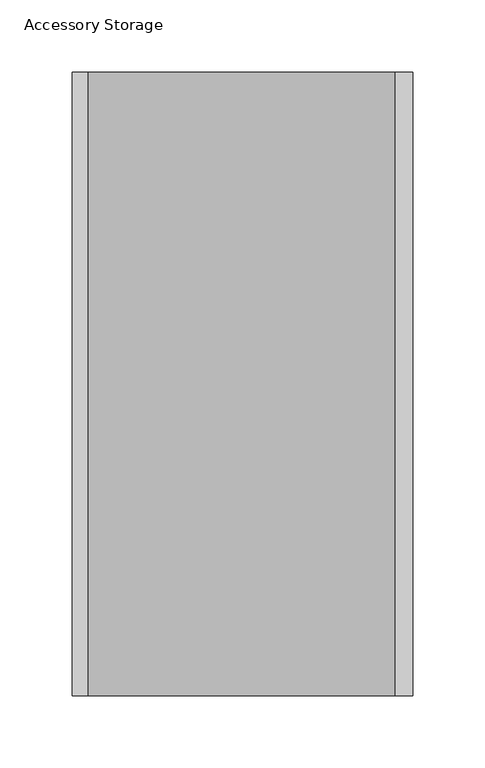
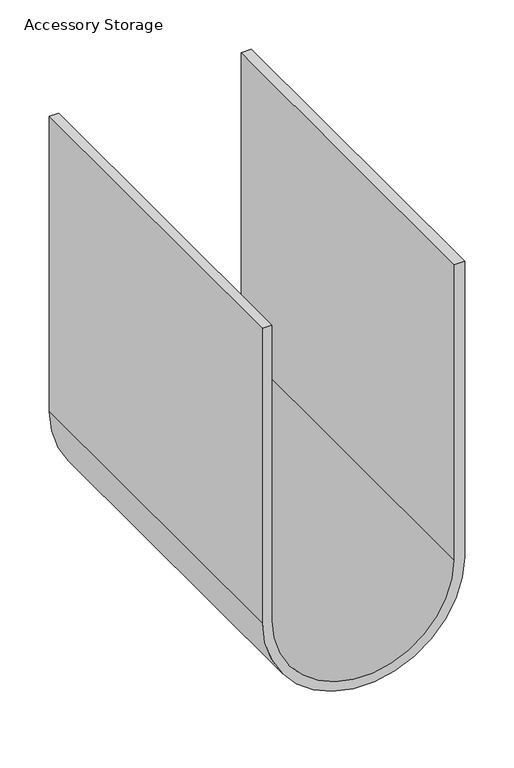
"""IFC4 building model written with IfcOpenShell, lengths in millimetres: furniture geometry, Accessory Storage."""

from ifc_helpers import new_model, si_unit, point, frame, frame_2d, origin, place, context, project, spatial, polyline, circle_curve, trimmed, segment, composite_curve, outline, extrude, source, transform, mapped, element, save


def accessory_storage_4041748e(model_context):
    return source(origin(), model_context, "Body", "SweptSolid", [
        extrude(outline(composite_curve([segment(trimmed(circle_curve(frame_2d((-365.0000319, 0.0)), 117.843679), [point((-365.0000319, -117.843679))], [point((-365.0000319, 117.843679))], False, "CARTESIAN"), True, "CONTINUOUS"), segment(polyline([(-365.0000319, 117.843679), (0.0, 117.843679), (0.0, 105.9944023), (-365.0000319, 105.9944023)]), True, "CONTINUOUS"), segment(trimmed(circle_curve(frame_2d((-365.0000319, -0.5810692)), 106.5754715), [point((-365.0000319, 105.9944023))], [point((-365.0000319, -107.1565407))], True, "CARTESIAN"), True, "CONTINUOUS"), segment(polyline([(-365.0000319, -107.1565407), (0.0, -107.1565407), (0.0, -117.843679), (-365.0000319, -117.843679)]), True, "CONTINUOUS")], self_intersect=False)), frame((0.0, -215.8996124, 0.0), z_axis=(0.0, 1.0, 0.0), x_axis=(0.0, 0.0, 1.0)), (0.0, 0.0, 1.0), 431.7992249),
    ])


if __name__ == "__main__":
    model = new_model("IFC4")
    model_context = context("Model", 3, world=origin())
    ifc_project = project(units=[si_unit("LENGTHUNIT", "METRE", prefix="MILLI")], contexts=[model_context])
    site = spatial("IfcSite", under=ifc_project)
    building = spatial("IfcBuilding", under=site)
    placement = place(None, origin())
    accessory_storage_shape = accessory_storage_4041748e(model_context)
    element("IfcFurniture", 1, ObjectType="Accessory Storage", at=placement, inside=building, context=model_context, shape_type="MappedRepresentation", body=[
        mapped(accessory_storage_shape, transform((0.0, 0.0, 0.0), x_axis=(1.0, 0.0, 0.0), y_axis=(0.0, 1.0, 0.0), z_axis=(0.0, 0.0, 1.0))),
    ])
    save(model, "model.ifc")
